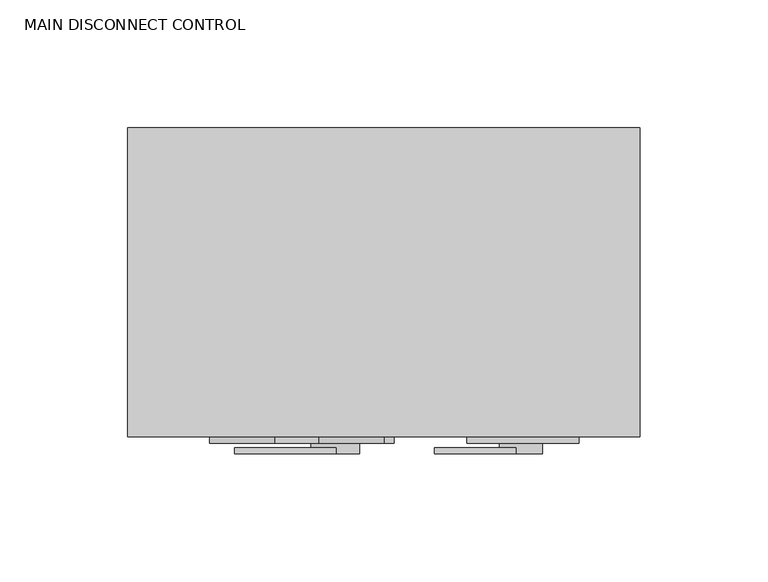
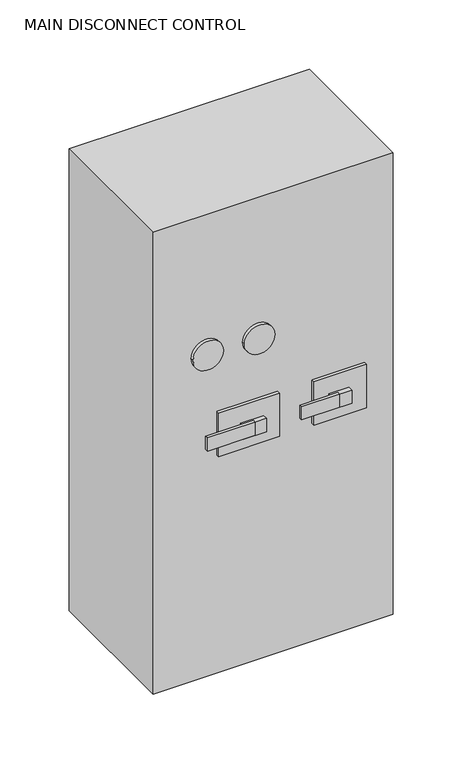
"""IFC4 building model written with IfcOpenShell, lengths in millimetres: proxy geometry, MAIN DISCONNECT CONTROL."""

from ifc_helpers import new_model, si_unit, point, frame, frame_2d, origin, place, context, project, spatial, polyline, circle_curve, trimmed, segment, composite_curve, outline, extrude, source, transform, mapped, element, save


def main_disconnect_control_a7821fcd(model_context):
    return source(origin(), model_context, "Body", "SweptSolid", [
        extrude(outline(polyline([(397.4082678, -778.7081669), (357.6498923, -778.7081669), (357.6498923, -776.2438198), (397.4082678, -776.2438198), (397.4082678, -778.7081669)])), frame((0.0, 0.0, 1219.2), z_axis=(0.0, 0.0, 1.0), x_axis=(1.0, 0.0, 0.0)), (0.0, 0.0, 1.0), 11.5864078),
        extrude(outline(polyline([(467.6370961, -778.7081669), (435.9110288, -778.7081669), (435.9110288, -776.2438198), (467.6370961, -776.2438198), (467.6370961, -778.7081669)])), frame((0.0, 0.0, 1219.2), z_axis=(0.0, 0.0, 1.0), x_axis=(1.0, 0.0, 0.0)), (0.0, 0.0, 1.0), 11.5864078),
        extrude(outline(polyline([(406.5951947, -778.7081669), (387.5636002, -778.7081669), (387.5636002, -774.6289288), (406.5951947, -774.6289288), (406.5951947, -778.7081669)])), frame((0.0, 0.0, 1219.2), z_axis=(0.0, 0.0, 1.0), x_axis=(1.0, 0.0, 0.0)), (0.0, 0.0, 1.0), 11.5864078),
        extrude(outline(polyline([(477.963674, -778.7081669), (461.3110288, -778.7081669), (461.3110288, -774.6289288), (477.963674, -774.6289288), (477.963674, -778.7081669)])), frame((0.0, 0.0, 1219.2), z_axis=(0.0, 0.0, 1.0), x_axis=(1.0, 0.0, 0.0)), (0.0, 0.0, 1.0), 11.5864078),
        extrude(outline(polyline([(420.1249888, -774.6289288), (369.3249888, -774.6289288), (369.3249888, -737.044422), (420.1249888, -737.044422), (420.1249888, -774.6289288)])), frame((0.0, 0.0, 1207.7530868), z_axis=(0.0, 0.0, 1.0), x_axis=(1.0, 0.0, 0.0)), (0.0, 0.0, 1.0), 38.1),
        extrude(outline(polyline([(492.2373698, -774.6289288), (448.6232991, -774.6289288), (448.6232991, -737.044422), (492.2373698, -737.044422), (492.2373698, -774.6289288)])), frame((0.0, 0.0, 1207.7530868), z_axis=(0.0, 0.0, 1.0), x_axis=(1.0, 0.0, 0.0)), (0.0, 0.0, 1.0), 38.1),
        extrude(outline(composite_curve([segment(trimmed(circle_curve(frame_2d((1298.9829547, 403.4232623)), 12.7), [point((1298.9829547, 390.7232623))], [point((1298.9829547, 416.1232623))], False, "CARTESIAN"), True, "CONTINUOUS"), segment(trimmed(circle_curve(frame_2d((1298.9829547, 403.4232623)), 12.7), [point((1298.9829547, 416.1232623))], [point((1298.9829547, 390.7232623))], False, "CARTESIAN"), True, "CONTINUOUS")], self_intersect=False)), frame((0.0, -774.6289288, 0.0), z_axis=(0.0, 1.0, 0.0), x_axis=(0.0, 0.0, 1.0)), (0.0, 0.0, 1.0), 37.5845068),
        extrude(outline(composite_curve([segment(trimmed(circle_curve(frame_2d((1299.7759378, 360.6083098)), 12.7), [point((1299.7759378, 347.9083098))], [point((1299.7759378, 373.3083098))], False, "CARTESIAN"), True, "CONTINUOUS"), segment(trimmed(circle_curve(frame_2d((1299.7759378, 360.6083098)), 12.7), [point((1299.7759378, 373.3083098))], [point((1299.7759378, 347.9083098))], False, "CARTESIAN"), True, "CONTINUOUS")], self_intersect=False)), frame((0.0, -774.6289288, 0.0), z_axis=(0.0, 1.0, 0.0), x_axis=(0.0, 0.0, 1.0)), (0.0, 0.0, 1.0), 37.5845068),
        extrude(outline(polyline([(316.0213622, -651.4249791), (516.0463622, -651.4249791), (516.0463622, -772.0749791), (316.0213622, -772.0749791), (316.0213622, -651.4249791)])), frame((0.0, 0.0, 1016.0), z_axis=(0.0, 0.0, 1.0), x_axis=(1.0, 0.0, 0.0)), (0.0, 0.0, 1.0), 406.4),
    ])


if __name__ == "__main__":
    model = new_model("IFC4")
    model_context = context("Model", 3, world=origin())
    ifc_project = project(units=[si_unit("LENGTHUNIT", "METRE", prefix="MILLI")], contexts=[model_context])
    site = spatial("IfcSite", under=ifc_project)
    building = spatial("IfcBuilding", under=site)
    placement = place(None, origin())
    main_disconnect_control_shape = main_disconnect_control_a7821fcd(model_context)
    element("IfcBuildingElementProxy", 1, Name="MAIN DISCONNECT CONTROL", ObjectType="MAIN DISCONNECT CONTROL", at=placement, inside=building, context=model_context, shape_type="MappedRepresentation", body=[
        mapped(main_disconnect_control_shape, transform((0.0, 0.0, 0.0), x_axis=(1.0, 0.0, 0.0), y_axis=(0.0, 1.0, 0.0), z_axis=(0.0, 0.0, 1.0))),
    ])
    save(model, "model.ifc")
